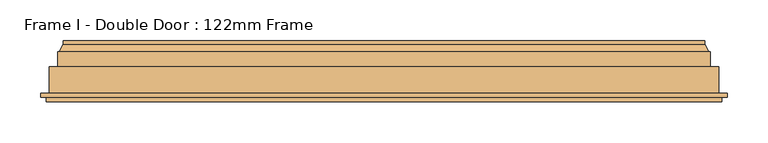
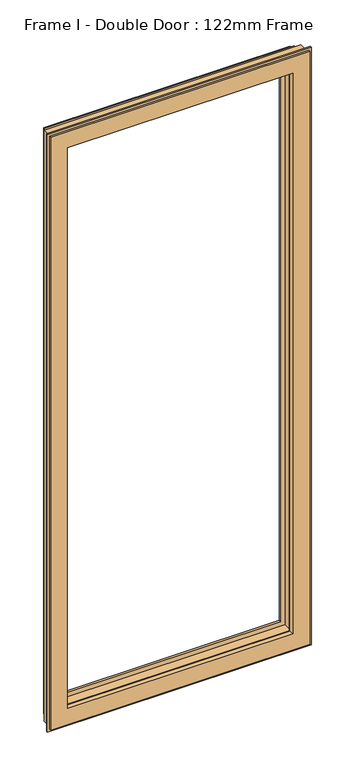
"""IFC4 building model written with IfcOpenShell, lengths in millimetres: door geometry, Frame I - Double Door : 122mm Frame."""

from ifc_helpers import new_model, si_unit, frame, origin, place, context, project, spatial, polyline, ellipse_curve, source, transform, mapped, element, save
from ifc_brep_helpers import plane_surface, cylinder_surface, revolved_surface, advanced_brep


def frame_i_double_door_122mm_frame_f8c8a83a(model_context):
    return source(origin(), model_context, "Body", "AdvancedBrep", [
        advanced_brep(
        [(43.2001533, 148.4070391, 2032.3998467), (43.2001533, 153.0, 2032.3998467), (43.2001533, 153.0, 67.6001533), (43.2001533, 148.4070391, 67.6001533), (832.3998467, 153.0, 2032.3998467), (832.3998467, 153.0, 67.6001533), (62.6368924, 153.0, 87.0368924), (812.9631076, 153.0, 87.0368924), (812.9631076, 153.0, 2012.9631076), (62.6368924, 153.0, 2012.9631076), (832.3998467, 148.4070391, 67.6001533), (37.9260611, 139.5531262, 2037.6739389), (37.9260611, 139.5531262, 62.3260611), (837.6739389, 139.5531262, 62.3260611), (36.0866045, 139.5531262, 2039.5133955), (839.5133955, 139.5531262, 2039.5133955), (839.5133955, 139.5531262, 60.4866045), (36.0866045, 139.5531262, 60.4866045), (837.6739389, 139.5531262, 2037.6739389), (36.0866045, 121.0, 2039.5133955), (36.0866045, 121.0, 60.4866045), (839.5133955, 121.0, 60.4866045), (26.0866045, 121.0, 2049.5133955), (849.5133955, 121.0, 2049.5133955), (849.5133955, 121.0, 50.4866045), (26.0866045, 121.0, 50.4866045), (839.5133955, 121.0, 2039.5133955), (26.0866045, 88.5, 2049.5133955), (26.0866045, 88.5, 50.4866045), (849.5133955, 88.5, 50.4866045), (15.3023, 88.5, 2060.2977), (860.2976999, 88.5, 2060.2977), (860.2976999, 88.5, 39.7023001), (15.3023, 88.5, 39.7023001), (849.5133955, 88.5, 2049.5133955), (15.3023, 83.5, 2060.2977), (15.3023, 83.5, 39.7023001), (860.2976999, 83.5, 39.7023001), (860.2976999, 83.5, 2060.2977), (22.1, 83.5, 2053.5), (853.5, 83.5, 2053.5), (853.5, 83.5, 46.5), (22.1, 83.5, 46.5), (22.1, 78.0, 2053.5), (22.1, 78.0, 46.5), (853.5, 78.0, 46.5), (853.5, 78.0, 2053.5), (77.2842184, 78.0, 1998.3157816), (798.3157816, 78.0, 1998.3157816), (798.3157816, 78.0, 101.6842184), (77.2842184, 78.0, 101.6842184), (79.5996933, 88.8934531, 1996.0003067), (79.5996933, 88.8934531, 103.9996933), (796.0003067, 88.8934531, 103.9996933), (79.5996933, 93.0, 1996.0003067), (79.5996933, 93.0, 103.9996933), (796.0003067, 93.0, 103.9996933), (65.6, 93.0, 2010.0), (810.0, 93.0, 2010.0), (810.0, 93.0, 90.0), (65.6, 93.0, 90.0), (796.0003067, 93.0, 1996.0003067), (65.6, 141.0, 2010.0), (65.6, 141.0, 90.0), (810.0, 141.0, 90.0), (810.0, 141.0, 2010.0), (80.0121514, 141.0, 1995.5878486), (795.5878486, 141.0, 1995.5878486), (795.5878486, 141.0, 104.4121514), (80.0121514, 141.0, 104.4121514), (76.3433832, 153.0, 1999.2566168), (76.3433832, 153.0, 100.7433832), (799.2566168, 153.0, 100.7433832), (69.5650956, 153.0, 2006.0349044), (806.0349044, 153.0, 2006.0349044), (806.0349044, 153.0, 93.9650956), (69.5650956, 153.0, 93.9650956), (799.2566168, 153.0, 1999.2566168), (68.2660575, 152.25, 2007.3339425), (68.2660575, 152.25, 92.6660575), (807.3339425, 152.25, 92.6660575), (63.9359305, 152.25, 2011.6640695), (63.9359305, 152.25, 88.3359305), (811.6640695, 152.25, 88.3359305), (832.3998467, 148.4070391, 2032.3998467), (796.0003067, 88.8934531, 1996.0003067), (807.3339425, 152.25, 2007.3339425), (811.6640695, 152.25, 2011.6640695)],
        [
            (0, 1),
            (1, 2),
            (2, 3),
            (3, 0),
            (1, 4),
            (4, 5),
            (5, 2),
            (6, 7),
            (7, 8),
            (8, 9),
            (9, 6),
            (5, 10),
            (10, 3),
            (11, 0),
            (3, 12),
            (12, 11),
            (10, 13),
            (13, 12),
            (14, 15),
            (15, 16),
            (16, 17),
            (17, 14),
            (13, 18),
            (18, 11),
            (19, 14),
            (17, 20),
            (20, 19),
            (16, 21),
            (21, 20),
            (22, 23),
            (23, 24),
            (24, 25),
            (25, 22),
            (21, 26),
            (26, 19),
            (27, 22),
            (25, 28),
            (28, 27),
            (24, 29),
            (29, 28),
            (30, 31),
            (31, 32),
            (32, 33),
            (33, 30),
            (29, 34),
            (34, 27),
            (35, 30),
            (33, 36),
            (36, 35),
            (32, 37),
            (37, 36),
            (37, 38),
            (38, 35),
            (39, 40),
            (40, 41),
            (41, 42),
            (42, 39),
            (43, 39),
            (42, 44),
            (44, 43),
            (41, 45),
            (45, 44),
            (45, 46),
            (46, 43),
            (47, 48),
            (48, 49),
            (49, 50),
            (50, 47),
            (51, 47),
            (50, 52),
            (52, 51),
            (49, 53),
            (53, 52),
            (54, 51),
            (52, 55),
            (55, 54),
            (53, 56),
            (56, 55),
            (57, 58),
            (58, 59),
            (59, 60),
            (60, 57),
            (56, 61),
            (61, 54),
            (62, 57),
            (60, 63),
            (63, 62),
            (59, 64),
            (64, 63),
            (64, 65),
            (65, 62),
            (66, 67),
            (67, 68),
            (68, 69),
            (69, 66),
            (70, 66),
            (69, 71),
            (71, 70),
            (68, 72),
            (72, 71),
            (73, 74),
            (74, 75),
            (75, 76),
            (76, 73),
            (72, 77),
            (77, 70),
            (78, 73, ellipse_curve(frame((69.5650956, 151.5, 2006.0349044), z_axis=(-0.7071067811865475, 0.0, -0.7071067811865475), x_axis=(-0.7071067811865474, 0.0, 0.7071067811865476)), 2.1213203, 1.5)),
            (76, 79, ellipse_curve(frame((69.5650956, 151.5, 93.9650956), z_axis=(-0.7071067811865475, 0.0, 0.7071067811865475), x_axis=(0.7071067811865474, 0.0, 0.7071067811865476)), 2.1213203, 1.5)),
            (79, 78),
            (75, 80, ellipse_curve(frame((806.0349044, 151.5, 93.9650956), z_axis=(-0.7071067811865475, 0.0, -0.7071067811865475), x_axis=(-0.7071067811865476, 0.0, 0.7071067811865474)), 2.1213203, 1.5)),
            (80, 79),
            (81, 78, ellipse_curve(frame((66.100994, 153.5, 2009.499006), z_axis=(0.7071067811865475, 0.0, 0.7071067811865475), x_axis=(0.7071067811865474, 0.0, -0.7071067811865476)), 3.5355339, 2.5)),
            (79, 82, ellipse_curve(frame((66.100994, 153.5, 90.500994), z_axis=(0.7071067811865475, 0.0, -0.7071067811865475), x_axis=(-0.7071067811865474, 0.0, -0.7071067811865476)), 3.5355339, 2.5)),
            (82, 81),
            (80, 83, ellipse_curve(frame((809.499006, 153.5, 90.500994), z_axis=(0.7071067811865475, 0.0, 0.7071067811865475), x_axis=(0.7071067811865476, 0.0, -0.7071067811865474)), 3.5355339, 2.5)),
            (83, 82),
            (9, 81, ellipse_curve(frame((62.6368924, 151.5, 2012.9631076), z_axis=(-0.7071067811865475, 0.0, -0.7071067811865475), x_axis=(-0.7071067811865474, 0.0, 0.7071067811865476)), 2.1213203, 1.5)),
            (82, 6, ellipse_curve(frame((62.6368924, 151.5, 87.0368924), z_axis=(-0.7071067811865475, 0.0, 0.7071067811865475), x_axis=(0.7071067811865474, 0.0, 0.7071067811865476)), 2.1213203, 1.5)),
            (83, 7, ellipse_curve(frame((812.9631076, 151.5, 87.0368924), z_axis=(-0.7071067811865475, 0.0, -0.7071067811865475), x_axis=(-0.7071067811865476, 0.0, 0.7071067811865474)), 2.1213203, 1.5)),
            (4, 84),
            (84, 10),
            (84, 18),
            (15, 26),
            (23, 34),
            (31, 38),
            (40, 46),
            (48, 85),
            (85, 53),
            (85, 61),
            (58, 65),
            (67, 77),
            (74, 86, ellipse_curve(frame((806.0349044, 151.5, 2006.0349044), z_axis=(0.7071067811865475, 0.0, -0.7071067811865475), x_axis=(-0.7071067811865474, 0.0, -0.7071067811865476)), 2.1213203, 1.5)),
            (86, 80),
            (86, 87, ellipse_curve(frame((809.499006, 153.5, 2009.499006), z_axis=(-0.7071067811865475, 0.0, 0.7071067811865475), x_axis=(0.7071067811865474, 0.0, 0.7071067811865476)), 3.5355339, 2.5)),
            (87, 83),
            (87, 8, ellipse_curve(frame((812.9631076, 151.5, 2012.9631076), z_axis=(0.7071067811865475, 0.0, -0.7071067811865475), x_axis=(-0.7071067811865474, 0.0, -0.7071067811865476)), 2.1213203, 1.5)),
            (0, 84),
            (51, 85),
            (78, 86),
            (81, 87),
        ],
        [
            plane_surface(frame((43.2001533, 153.0, 2032.3998467), z_axis=(-1.0, 0.0, 0.0), x_axis=(0.0, 0.0, -1.0))),
            plane_surface(frame((812.9631076, 153.0, 2012.9631076), z_axis=(0.0, 1.0, 0.0), x_axis=(-1.0, 0.0, 0.0))),
            plane_surface(frame((43.2001533, 153.0, 67.6001533), z_axis=(0.0, 0.0, -1.0), x_axis=(1.0, 0.0, 0.0))),
            plane_surface(frame((43.2001533, 148.4070391, 2032.3998467), z_axis=(-0.8591262587254928, 0.5117636872310675, 0.0), x_axis=(0.0, 0.0, -1.0))),
            plane_surface(frame((43.2001533, 148.4070391, 67.6001533), z_axis=(0.0, 0.5117636872310675, -0.8591262587254928), x_axis=(1.0, 0.0, 0.0))),
            plane_surface(frame((837.6739389, 139.5531262, 2037.6739389), z_axis=(0.0, 1.0, 0.0), x_axis=(-1.0, 0.0, 0.0))),
            plane_surface(frame((36.0866045, 139.5531262, 2039.5133955), z_axis=(-1.0, 0.0, 0.0), x_axis=(0.0, 0.0, -1.0))),
            plane_surface(frame((36.0866045, 139.5531262, 60.4866045), z_axis=(0.0, 0.0, -1.0), x_axis=(1.0, 0.0, 0.0))),
            plane_surface(frame((839.5133955, 121.0, 2039.5133955), z_axis=(0.0, 1.0, 0.0), x_axis=(-1.0, 0.0, 0.0))),
            plane_surface(frame((26.0866045, 121.0, 2049.5133955), z_axis=(-1.0, 0.0, 0.0), x_axis=(0.0, 0.0, -1.0))),
            plane_surface(frame((26.0866045, 121.0, 50.4866045), z_axis=(0.0, 0.0, -1.0), x_axis=(1.0, 0.0, 0.0))),
            plane_surface(frame((849.5133955, 88.5, 2049.5133955), z_axis=(0.0, 1.0, 0.0), x_axis=(-1.0, 0.0, 0.0))),
            plane_surface(frame((15.3023, 88.5, 2060.2977), z_axis=(-1.0, 0.0, 0.0), x_axis=(0.0, 0.0, -1.0))),
            plane_surface(frame((15.3023, 88.5, 39.7023001), z_axis=(0.0, 0.0, -1.0), x_axis=(1.0, 0.0, 0.0))),
            plane_surface(frame((860.2976999, 83.5, 2060.2977), z_axis=(0.0, -1.0, 0.0), x_axis=(-1.0, 0.0, 0.0))),
            plane_surface(frame((22.1, 83.5, 2053.5), z_axis=(-1.0, 0.0, 0.0), x_axis=(0.0, 0.0, -1.0))),
            plane_surface(frame((22.1, 83.5, 46.5), z_axis=(0.0, 0.0, -1.0), x_axis=(1.0, 0.0, 0.0))),
            plane_surface(frame((853.5, 78.0, 2053.5), z_axis=(0.0, -1.0, 0.0), x_axis=(-1.0, 0.0, 0.0))),
            plane_surface(frame((77.2842184, 78.0, 1998.3157816), z_axis=(0.9781476007338059, -0.20791169081775832, 0.0), x_axis=(0.0, 0.0, -1.0))),
            plane_surface(frame((77.2842184, 78.0, 101.6842184), z_axis=(0.0, -0.20791169081775832, 0.9781476007338059), x_axis=(1.0, 0.0, 0.0))),
            plane_surface(frame((79.5996933, 88.8934531, 1996.0003067), z_axis=(1.0, 0.0, 0.0), x_axis=(0.0, 0.0, -1.0))),
            plane_surface(frame((79.5996933, 88.8934531, 103.9996933), z_axis=(0.0, 0.0, 1.0), x_axis=(1.0, 0.0, 0.0))),
            plane_surface(frame((796.0003067, 93.0, 1996.0003067), z_axis=(0.0, 1.0, 0.0), x_axis=(-1.0, 0.0, 0.0))),
            plane_surface(frame((65.6, 93.0, 2010.0), z_axis=(1.0, 0.0, 0.0), x_axis=(0.0, 0.0, -1.0))),
            plane_surface(frame((65.6, 93.0, 90.0), z_axis=(0.0, 0.0, 1.0), x_axis=(1.0, 0.0, 0.0))),
            plane_surface(frame((810.0, 141.0, 2010.0), z_axis=(0.0, -1.0, 0.0), x_axis=(-1.0, 0.0, 0.0))),
            plane_surface(frame((80.0121514, 141.0, 1995.5878486), z_axis=(0.9563047559629769, 0.2923717047229284, 0.0), x_axis=(0.0, 0.0, -1.0))),
            plane_surface(frame((80.0121514, 141.0, 104.4121514), z_axis=(0.0, 0.2923717047229284, 0.9563047559629769), x_axis=(1.0, 0.0, 0.0))),
            plane_surface(frame((799.2566168, 153.0, 1999.2566168), z_axis=(0.0, 1.0, 0.0), x_axis=(-1.0, 0.0, 0.0))),
            cylinder_surface(frame((69.5650956, 151.5, 2037.6), z_axis=(0.0, 0.0, 1.0), x_axis=(0.0, 1.0, 0.0)), 1.5),
            cylinder_surface(frame((38.0, 151.5, 93.9650956), z_axis=(-1.0, 0.0, 0.0), x_axis=(0.0, 1.0, 0.0)), 1.5),
            revolved_surface(polyline([(66.100994, 156.0, 88.00099400419504), (66.100994, 156.0, 2011.999005995805)]), (66.100994, 153.5, 2037.6), (0.0, 0.0, -1.0)),
            revolved_surface(polyline([(811.999005995805, 156.0, 90.500994), (63.60099400419508, 156.0, 90.500994)]), (38.0, 153.5, 90.500994), (1.0, 0.0, 0.0)),
            cylinder_surface(frame((62.6368924, 151.5, 2037.6), z_axis=(0.0, 0.0, 1.0), x_axis=(0.0, 1.0, 0.0)), 1.5),
            cylinder_surface(frame((38.0, 151.5, 87.0368924), z_axis=(-1.0, 0.0, 0.0), x_axis=(0.0, 1.0, 0.0)), 1.5),
            plane_surface(frame((832.3998467, 153.0, 67.6001533), z_axis=(1.0, 0.0, 0.0), x_axis=(0.0, 0.0, 1.0))),
            plane_surface(frame((832.3998467, 148.4070391, 67.6001533), z_axis=(0.8591262587254928, 0.5117636872310675, 0.0), x_axis=(0.0, 0.0, 1.0))),
            plane_surface(frame((839.5133955, 139.5531262, 60.4866045), z_axis=(1.0, 0.0, 0.0), x_axis=(0.0, 0.0, 1.0))),
            plane_surface(frame((849.5133955, 121.0, 50.4866045), z_axis=(1.0, 0.0, 0.0), x_axis=(0.0, 0.0, 1.0))),
            plane_surface(frame((860.2976999, 88.5, 39.7023001), z_axis=(1.0, 0.0, 0.0), x_axis=(0.0, 0.0, 1.0))),
            plane_surface(frame((853.5, 83.5, 46.5), z_axis=(1.0, 0.0, 0.0), x_axis=(0.0, 0.0, 1.0))),
            plane_surface(frame((798.3157816, 78.0, 101.6842184), z_axis=(-0.9781476007338059, -0.20791169081775832, 0.0), x_axis=(0.0, 0.0, 1.0))),
            plane_surface(frame((796.0003067, 88.8934531, 103.9996933), z_axis=(-1.0, 0.0, 0.0), x_axis=(0.0, 0.0, 1.0))),
            plane_surface(frame((810.0, 93.0, 90.0), z_axis=(-1.0, 0.0, 0.0), x_axis=(0.0, 0.0, 1.0))),
            plane_surface(frame((795.5878486, 141.0, 104.4121514), z_axis=(-0.9563047559629769, 0.2923717047229284, 0.0), x_axis=(0.0, 0.0, 1.0))),
            cylinder_surface(frame((806.0349044, 151.5, 62.4), z_axis=(0.0, 0.0, -1.0), x_axis=(0.0, 1.0, 0.0)), 1.5),
            revolved_surface(polyline([(809.499006, 156.0, 2011.999005995805), (809.499006, 156.0, 88.00099400419509)]), (809.499006, 153.5, 62.4), (0.0, 0.0, 1.0)),
            cylinder_surface(frame((812.9631076, 151.5, 62.4), z_axis=(0.0, 0.0, -1.0), x_axis=(0.0, 1.0, 0.0)), 1.5),
            plane_surface(frame((832.3998467, 153.0, 2032.3998467), z_axis=(0.0, 0.0, 1.0), x_axis=(-1.0, 0.0, 0.0))),
            plane_surface(frame((832.3998467, 148.4070391, 2032.3998467), z_axis=(0.0, 0.5117636872310675, 0.8591262587254928), x_axis=(-1.0, 0.0, 0.0))),
            plane_surface(frame((839.5133955, 139.5531262, 2039.5133955), z_axis=(0.0, 0.0, 1.0), x_axis=(-1.0, 0.0, 0.0))),
            plane_surface(frame((849.5133955, 121.0, 2049.5133955), z_axis=(0.0, 0.0, 1.0), x_axis=(-1.0, 0.0, 0.0))),
            plane_surface(frame((860.2976999, 88.5, 2060.2977), z_axis=(0.0, 0.0, 1.0), x_axis=(-1.0, 0.0, 0.0))),
            plane_surface(frame((853.5, 83.5, 2053.5), z_axis=(0.0, 0.0, 1.0), x_axis=(-1.0, 0.0, 0.0))),
            plane_surface(frame((798.3157816, 78.0, 1998.3157816), z_axis=(0.0, -0.20791169081775832, -0.9781476007338059), x_axis=(-1.0, 0.0, 0.0))),
            plane_surface(frame((796.0003067, 88.8934531, 1996.0003067), z_axis=(0.0, 0.0, -1.0), x_axis=(-1.0, 0.0, 0.0))),
            plane_surface(frame((810.0, 93.0, 2010.0), z_axis=(0.0, 0.0, -1.0), x_axis=(-1.0, 0.0, 0.0))),
            plane_surface(frame((795.5878486, 141.0, 1995.5878486), z_axis=(0.0, 0.2923717047229284, -0.9563047559629769), x_axis=(-1.0, 0.0, 0.0))),
            cylinder_surface(frame((837.6, 151.5, 2006.0349044), z_axis=(1.0, 0.0, 0.0), x_axis=(0.0, 1.0, 0.0)), 1.5),
            revolved_surface(polyline([(63.60099400419506, 156.0, 2009.499006), (811.999005995805, 156.0, 2009.499006)]), (837.6, 153.5, 2009.499006), (-1.0, 0.0, 0.0)),
            cylinder_surface(frame((837.6, 151.5, 2012.9631076), z_axis=(1.0, 0.0, 0.0), x_axis=(0.0, 1.0, 0.0)), 1.5),
        ],
        [
            (0, [[1, 2, 3, 4]]),
            (1, [[5, 6, 7, -2], [8, 9, 10, 11]]),
            (2, [[-3, -7, 12, 13]]),
            (3, [[14, -4, 15, 16]]),
            (4, [[-15, -13, 17, 18]]),
            (5, [[19, 20, 21, 22], [-18, 23, 24, -16]]),
            (6, [[25, -22, 26, 27]]),
            (7, [[-26, -21, 28, 29]]),
            (8, [[30, 31, 32, 33], [-29, 34, 35, -27]]),
            (9, [[36, -33, 37, 38]]),
            (10, [[-37, -32, 39, 40]]),
            (11, [[41, 42, 43, 44], [-40, 45, 46, -38]]),
            (12, [[47, -44, 48, 49]]),
            (13, [[-48, -43, 50, 51]]),
            (14, [[-51, 52, 53, -49], [54, 55, 56, 57]]),
            (15, [[58, -57, 59, 60]]),
            (16, [[-59, -56, 61, 62]]),
            (17, [[-62, 63, 64, -60], [65, 66, 67, 68]]),
            (18, [[69, -68, 70, 71]]),
            (19, [[-70, -67, 72, 73]]),
            (20, [[74, -71, 75, 76]]),
            (21, [[-75, -73, 77, 78]]),
            (22, [[79, 80, 81, 82], [-78, 83, 84, -76]]),
            (23, [[85, -82, 86, 87]]),
            (24, [[-86, -81, 88, 89]]),
            (25, [[-89, 90, 91, -87], [92, 93, 94, 95]]),
            (26, [[96, -95, 97, 98]]),
            (27, [[-97, -94, 99, 100]]),
            (28, [[101, 102, 103, 104], [-100, 105, 106, -98]]),
            (29, [[107, -104, 108, 109]]),
            (30, [[-108, -103, 110, 111]]),
            (31, [[112, -109, 113, 114]]),
            (32, [[-113, -111, 115, 116]]),
            (33, [[117, -114, 118, -11]]),
            (34, [[-118, -116, 119, -8]]),
            (35, [[-12, -6, 120, 121]]),
            (36, [[-17, -121, 122, -23]]),
            (37, [[-28, -20, 123, -34]]),
            (38, [[-39, -31, 124, -45]]),
            (39, [[-50, -42, 125, -52]]),
            (40, [[-61, -55, 126, -63]]),
            (41, [[-72, -66, 127, 128]]),
            (42, [[-77, -128, 129, -83]]),
            (43, [[-88, -80, 130, -90]]),
            (44, [[-99, -93, 131, -105]]),
            (45, [[-110, -102, 132, 133]]),
            (46, [[-115, -133, 134, 135]]),
            (47, [[-119, -135, 136, -9]]),
            (48, [[-120, -5, -1, 137]]),
            (49, [[-122, -137, -14, -24]]),
            (50, [[-123, -19, -25, -35]]),
            (51, [[-124, -30, -36, -46]]),
            (52, [[-125, -41, -47, -53]]),
            (53, [[-126, -54, -58, -64]]),
            (54, [[-127, -65, -69, 138]]),
            (55, [[-129, -138, -74, -84]]),
            (56, [[-130, -79, -85, -91]]),
            (57, [[-131, -92, -96, -106]]),
            (58, [[-132, -101, -107, 139]]),
            (59, [[-134, -139, -112, 140]]),
            (60, [[-136, -140, -117, -10]]),
        ],
    ),
    ])


if __name__ == "__main__":
    model = new_model("IFC4")
    model_context = context("Model", 3, world=origin())
    ifc_project = project(units=[si_unit("LENGTHUNIT", "METRE", prefix="MILLI")], contexts=[model_context])
    site = spatial("IfcSite", under=ifc_project)
    building = spatial("IfcBuilding", under=site)
    placement = place(None, origin())
    frame_i_double_door_122mm_frame_shape = frame_i_double_door_122mm_frame_f8c8a83a(model_context)
    element("IfcDoor", 1, ObjectType="Frame I - Double Door : 122mm Frame", at=placement, inside=building, context=model_context, shape_type="MappedRepresentation", body=[
        mapped(frame_i_double_door_122mm_frame_shape, transform((0.0, 0.0, 0.0), x_axis=(1.0, 0.0, 0.0), y_axis=(0.0, 1.0, 0.0), z_axis=(0.0, 0.0, 1.0))),
    ])
    save(model, "model.ifc")
